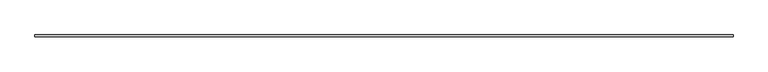
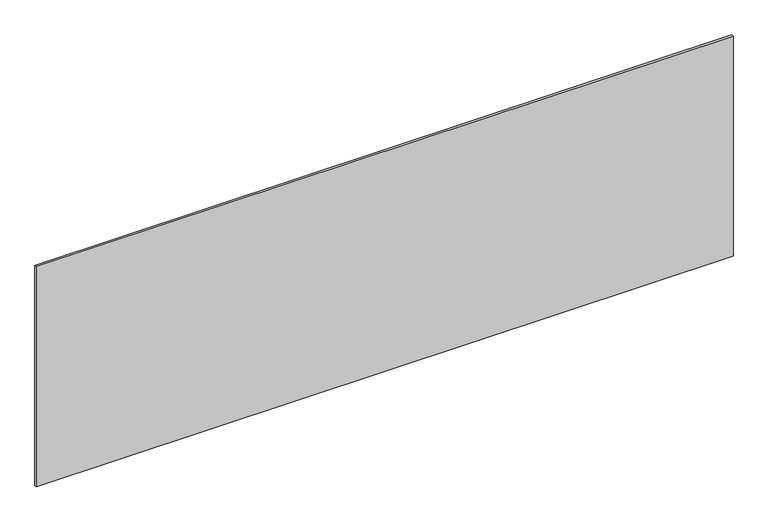
"""IFC4 building model written with IfcOpenShell, lengths in millimetres: plate geometry."""

from ifc_helpers import new_model, si_unit, origin, origin_with_axes, place, context, project, spatial, polyline, outline, extrude, source, transform, mapped, element, save


def plate_a0001f2a(model_context):
    return source(origin(), model_context, "Body", "SweptSolid", [
        extrude(outline(polyline([(1697.5, -5.0), (-1697.5, -5.0), (-1697.5, 5.0), (1697.5, 5.0), (1697.5, -5.0)])), origin_with_axes(), (0.0, 0.0, 1.0), 1134.4393141),
    ])


if __name__ == "__main__":
    model = new_model("IFC4")
    model_context = context("Model", 3, world=origin())
    ifc_project = project(units=[si_unit("LENGTHUNIT", "METRE", prefix="MILLI")], contexts=[model_context])
    site = spatial("IfcSite", under=ifc_project)
    building = spatial("IfcBuilding", under=site)
    placement = place(None, origin())
    plate_shape = plate_a0001f2a(model_context)
    element("IfcPlate", 1, at=placement, inside=building, context=model_context, shape_type="MappedRepresentation", body=[
        mapped(plate_shape, transform((0.0, 0.0, 0.0), x_axis=(1.0, 0.0, 0.0), y_axis=(0.0, 1.0, 0.0), z_axis=(0.0, 0.0, 1.0))),
    ])
    save(model, "model.ifc")
